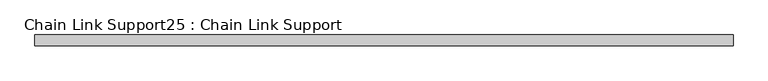
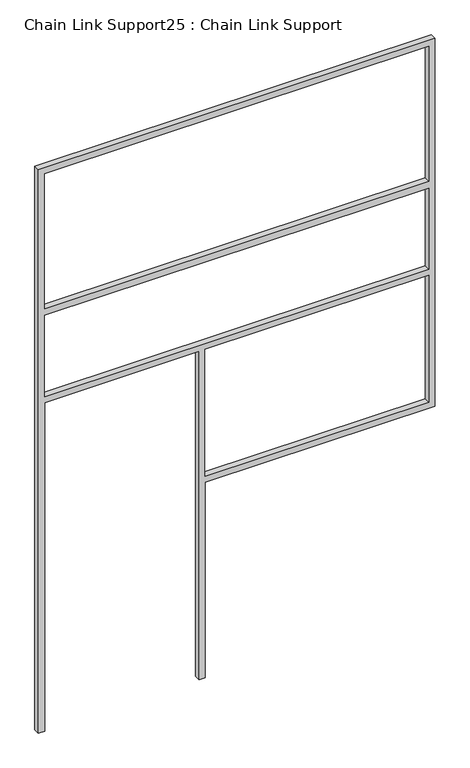
"""IFC4 building model written with IfcOpenShell, lengths in millimetres: proxy geometry, Chain Link Support25 : Chain Link Support."""

from ifc_helpers import new_model, si_unit, frame, origin, place, context, project, spatial, polyline, outline, extrude, source, transform, mapped, element, save


def chain_link_support25_chain_link_support_7b1643bb(model_context):
    return source(origin(), model_context, "Body", "SweptSolid", [
        extrude(outline(polyline([(3657.6, -8251.8348205), (0.0, -8251.8348205), (0.0, -8213.7348205), (2133.6, -8213.7348205), (2133.6, -7264.4098205), (0.0, -7264.4098205), (0.0, -7226.3098205), (1270.0, -7226.3098205), (1270.0, -5813.4348205), (3657.6, -5813.4348205), (3657.6, -8251.8348205)]), holes=[polyline([(2743.2, -8213.7348205), (3619.5, -8213.7348205), (3619.5, -5851.5348205), (2743.2, -5851.5348205), (2743.2, -8213.7348205)]), polyline([(1308.1, -5851.5348205), (1308.1, -7226.3098205), (2133.6, -7226.3098205), (2133.6, -5851.5348205), (1308.1, -5851.5348205)]), polyline([(2171.7, -8213.7348205), (2698.75, -8213.7348205), (2698.75, -5851.5348205), (2171.7, -5851.5348205), (2171.7, -8213.7348205)])]), frame((0.0, -1105.857317, 0.0), z_axis=(0.0, 1.0, 0.0), x_axis=(0.0, 0.0, 1.0)), (0.0, 0.0, 1.0), 38.1),
    ])


if __name__ == "__main__":
    model = new_model("IFC4")
    model_context = context("Model", 3, world=origin())
    ifc_project = project(units=[si_unit("LENGTHUNIT", "METRE", prefix="MILLI")], contexts=[model_context])
    site = spatial("IfcSite", under=ifc_project)
    building = spatial("IfcBuilding", under=site)
    placement = place(None, origin())
    chain_link_support25_chain_link_support_shape = chain_link_support25_chain_link_support_7b1643bb(model_context)
    element("IfcBuildingElementProxy", 1, Name="Chain Link Support25 : Chain Link Support", ObjectType="Chain Link Support25 : Chain Link Support", at=placement, inside=building, context=model_context, shape_type="MappedRepresentation", body=[
        mapped(chain_link_support25_chain_link_support_shape, transform((0.0, 0.0, 0.0), x_axis=(1.0, 0.0, 0.0), y_axis=(0.0, 1.0, 0.0), z_axis=(0.0, 0.0, 1.0))),
    ])
    save(model, "model.ifc")
